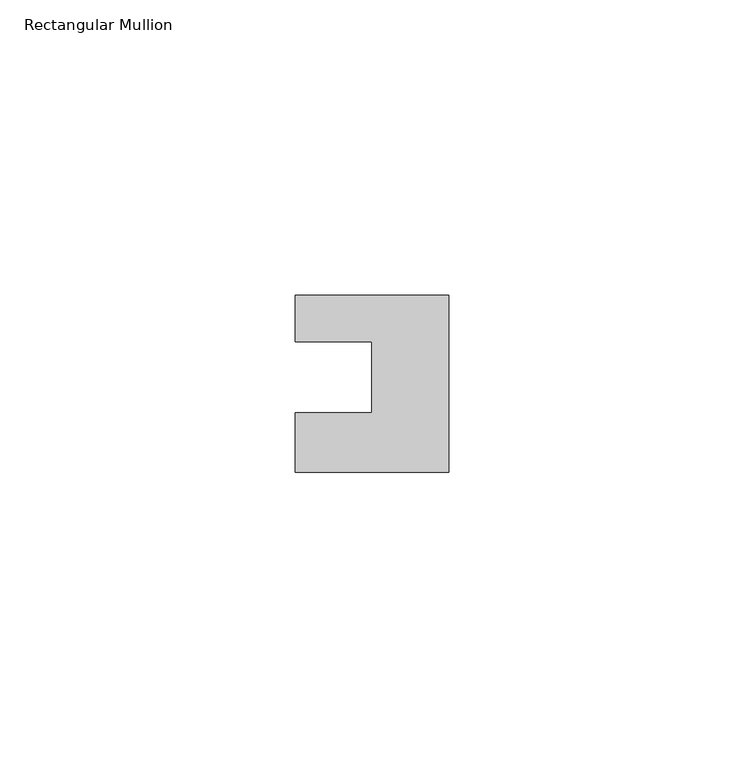
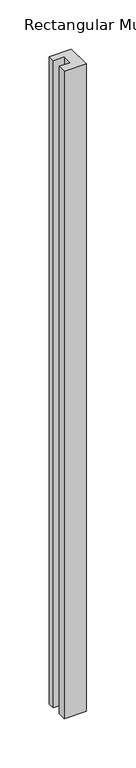
"""IFC4 building model written with IfcOpenShell, lengths in millimetres: member geometry, Rectangular Mullion."""

from ifc_helpers import new_model, si_unit, frame, origin, place, context, project, spatial, polyline, outline, extrude, source, transform, mapped, element, save


def rectangular_mullion_dee918fc(model_context):
    return source(origin(), model_context, "Body", "SweptSolid", [
        extrude(outline(polyline([(-26.0, 0.001), (-26.0, 7.94), (0.0, 7.94), (0.0, -22.06), (-26.0, -22.06), (-26.0, -12.0), (-13.0, -12.0), (-13.0, 0.001), (-26.0, 0.001)])), frame((0.0, 0.0, -802.0), z_axis=(0.0, 0.0, 1.0), x_axis=(1.0, 0.0, 0.0)), (0.0, 0.0, 1.0), 802.0),
    ])


if __name__ == "__main__":
    model = new_model("IFC4")
    model_context = context("Model", 3, world=origin())
    ifc_project = project(units=[si_unit("LENGTHUNIT", "METRE", prefix="MILLI")], contexts=[model_context])
    site = spatial("IfcSite", under=ifc_project)
    building = spatial("IfcBuilding", under=site)
    placement = place(None, origin())
    rectangular_mullion_shape = rectangular_mullion_dee918fc(model_context)
    element("IfcMember", 1, ObjectType="Rectangular Mullion", at=placement, inside=building, context=model_context, shape_type="MappedRepresentation", body=[
        mapped(rectangular_mullion_shape, transform((0.0, 0.0, 0.0), x_axis=(1.0, 0.0, 0.0), y_axis=(0.0, 1.0, 0.0), z_axis=(0.0, 0.0, 1.0))),
    ])
    save(model, "model.ifc")
